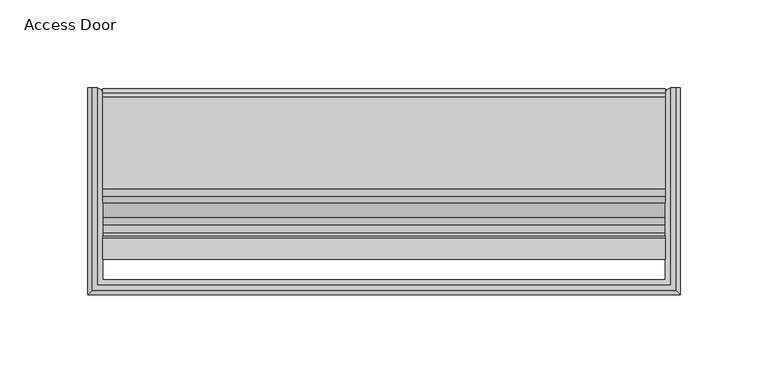
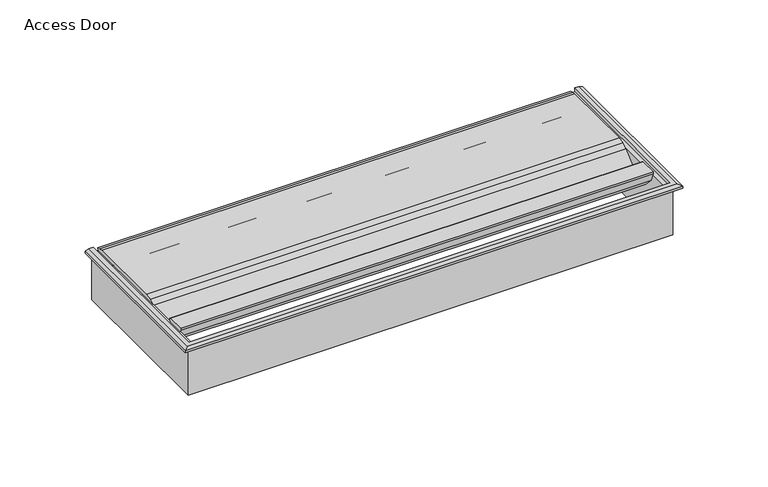
"""IFC4 building model written with IfcOpenShell, lengths in millimetres: furniture geometry, Access Door."""

from ifc_helpers import new_model, si_unit, frame, origin, place, context, project, spatial, polyline, outline, extrude, faceted_brep, source, transform, mapped, element, save


def access_door_cd5599ab(model_context):
    return source(origin(), model_context, "Body", "SolidModel", [
        faceted_brep([(-162.9150013, 113.1099985, 1042.416), (-168.2549915, 113.1099985, 1042.416), (-168.2549915, 113.1099985, 1043.916), (-165.7549988, 113.1099985, 1044.9160001), (-162.9150013, 113.1099985, 1044.9160001), (-162.9150013, 0.9999902, 1042.416), (162.9150013, 0.9999902, 1042.416), (162.9150013, 113.1099985, 1042.416), (168.2549915, 113.1099985, 1042.416), (168.2549915, -4.34, 1042.416), (-168.2549915, -4.34, 1042.416), (-168.2549915, -4.34, 1043.916), (162.9150013, 113.1099985, 1044.9160001), (162.9150013, 0.9999902, 1044.9160001), (-162.9150013, 0.9999902, 1044.9160001), (-165.7549988, -1.8400072, 1044.9160001), (165.7549988, -1.8400072, 1044.9160001), (165.7549988, 113.1099985, 1044.9160001), (168.2549915, -4.34, 1043.916), (168.2549915, 113.1099985, 1043.916)], [[[0, 1, 2, 3, 4]], [[1, 0, 5, 6, 7, 8, 9, 10]], [[1, 10, 11, 2]], [[12, 13, 14, 4, 3, 15, 16, 17]], [[0, 4, 14, 5]], [[10, 9, 18, 11]], [[6, 5, 14, 13]], [[8, 7, 12, 17, 19]], [[9, 8, 19, 18]], [[7, 6, 13, 12]], [[11, 15, 3, 2]], [[15, 11, 18, 16]], [[16, 18, 19, 17]]]),
        extrude(outline(polyline([(84.5248156, 1039.9813532), (78.9838657, 1041.8892564), (55.8499716, 1041.8892564), (52.6634746, 1041.3153411), (49.8774573, 1039.6657244), (41.5120068, 1032.4346654), (33.1510732, 1028.8708454), (24.2750616, 1030.8259553), (18.1852523, 1037.572825), (15.8948137, 1043.5680761), (15.7343675, 1044.8716459), (27.9363616, 1044.874069), (28.8089169, 1044.3505147), (28.7710785, 1043.3336423), (27.9955331, 1042.1262665), (26.2688375, 1038.1973806), (25.8391558, 1033.9273693), (26.3855069, 1033.0919473), (30.8730441, 1031.8399184), (35.4974121, 1032.4062855), (39.5501626, 1034.7042813), (47.9156085, 1041.9353404), (51.616777, 1044.1268219), (55.8499716, 1044.8892564), (108.0794008, 1044.8892564), (110.3674424, 1044.6239815), (112.6796028, 1043.7897312), (112.5583788, 1041.8892564), (100.8853904, 1041.8892564), (98.9943539, 1040.5403927), (99.6540702, 1038.313235), (102.6759243, 1035.9522997), (104.0583253, 1033.9028057), (103.9720479, 1031.4321762), (102.4500569, 1029.4841063), (100.0736848, 1028.8026935), (97.7506344, 1029.6482133), (84.5248156, 1039.9813532)])), frame((-159.9150028, 0.0, 0.0), z_axis=(1.0, 0.0, 0.0), x_axis=(0.0, 1.0, 0.0)), (0.0, 0.0, 1.0), 319.8300056),
        extrude(outline(polyline([(-163.9149948, -3.3e-06), (-163.9149948, 113.1099985), (-162.9150013, 113.1099985), (-160.7936737, 112.2313185), (-159.9150028, 110.1099999), (-159.9150028, 3.9999967), (159.9150028, 3.9999967), (159.9150028, 110.1099999), (160.7936737, 112.2313185), (162.9150013, 113.1099985), (163.9149948, 113.1099985), (163.9149948, -3.3e-06), (-163.9149948, -3.3e-06)])), frame((0.0, 0.0, 1007.9160006), z_axis=(0.0, 0.0, 1.0), x_axis=(1.0, 0.0, 0.0)), (0.0, 0.0, 1.0), 34.4999994),
    ])


if __name__ == "__main__":
    model = new_model("IFC4")
    model_context = context("Model", 3, world=origin())
    ifc_project = project(units=[si_unit("LENGTHUNIT", "METRE", prefix="MILLI")], contexts=[model_context])
    site = spatial("IfcSite", under=ifc_project)
    building = spatial("IfcBuilding", under=site)
    placement = place(None, origin())
    access_door_shape = access_door_cd5599ab(model_context)
    element("IfcFurniture", 1, ObjectType="Access Door", at=placement, inside=building, context=model_context, shape_type="MappedRepresentation", body=[
        mapped(access_door_shape, transform((0.0, 0.0, 0.0), x_axis=(1.0, 0.0, 0.0), y_axis=(0.0, 1.0, 0.0), z_axis=(0.0, 0.0, 1.0))),
    ])
    save(model, "model.ifc")
